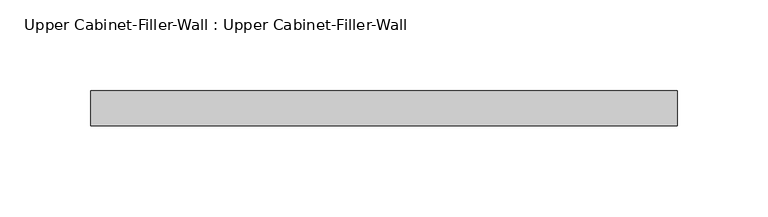
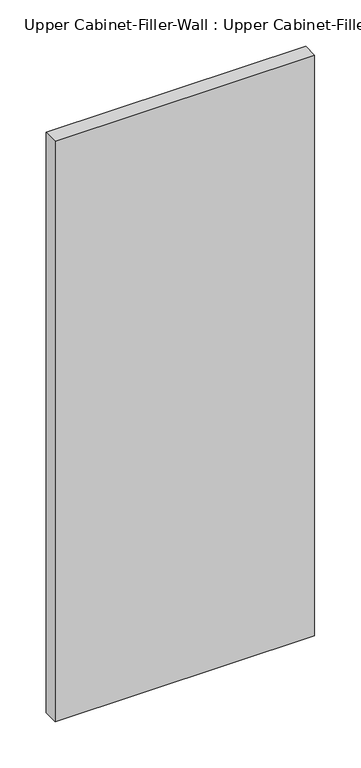
"""IFC4 building model written with IfcOpenShell, lengths in millimetres: furniture geometry, Upper Cabinet-Filler-Wall : Upper Cabinet-Filler-Wall."""

from ifc_helpers import new_model, si_unit, frame, origin, place, context, project, spatial, polyline, outline, extrude, source, transform, mapped, element, save


def upper_cabinet_filler_wall_upper_cabinet_filler_wall_ba14692b(model_context):
    return source(origin(), model_context, "Body", "SweptSolid", [
        extrude(outline(polyline([(-131.4626121, -358.125), (191.0049377, -358.125), (191.0049377, -377.175), (-131.4626121, -377.175), (-131.4626121, -358.125)])), frame((0.0, 0.0, 1371.6), z_axis=(0.0, 0.0, 1.0), x_axis=(1.0, 0.0, 0.0)), (0.0, 0.0, 1.0), 762.0),
    ])


if __name__ == "__main__":
    model = new_model("IFC4")
    model_context = context("Model", 3, world=origin())
    ifc_project = project(units=[si_unit("LENGTHUNIT", "METRE", prefix="MILLI")], contexts=[model_context])
    site = spatial("IfcSite", under=ifc_project)
    building = spatial("IfcBuilding", under=site)
    placement = place(None, origin())
    upper_cabinet_filler_wall_upper_cabinet_filler_wall_shape = upper_cabinet_filler_wall_upper_cabinet_filler_wall_ba14692b(model_context)
    element("IfcFurniture", 1, ObjectType="Upper Cabinet-Filler-Wall : Upper Cabinet-Filler-Wall", at=placement, inside=building, context=model_context, shape_type="MappedRepresentation", body=[
        mapped(upper_cabinet_filler_wall_upper_cabinet_filler_wall_shape, transform((0.0, 0.0, 0.0), x_axis=(1.0, 0.0, 0.0), y_axis=(0.0, 1.0, 0.0), z_axis=(0.0, 0.0, 1.0))),
    ])
    save(model, "model.ifc")
